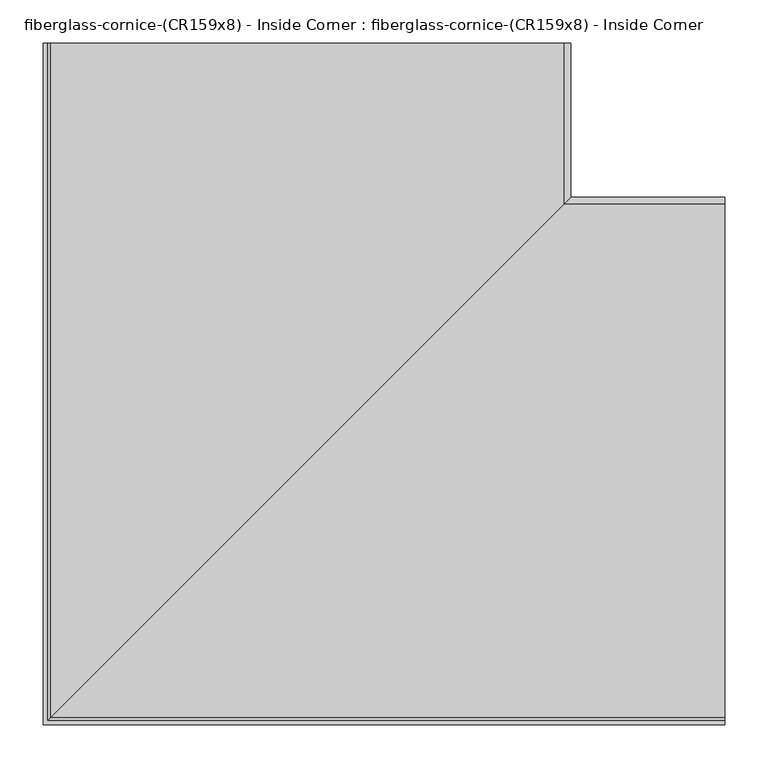
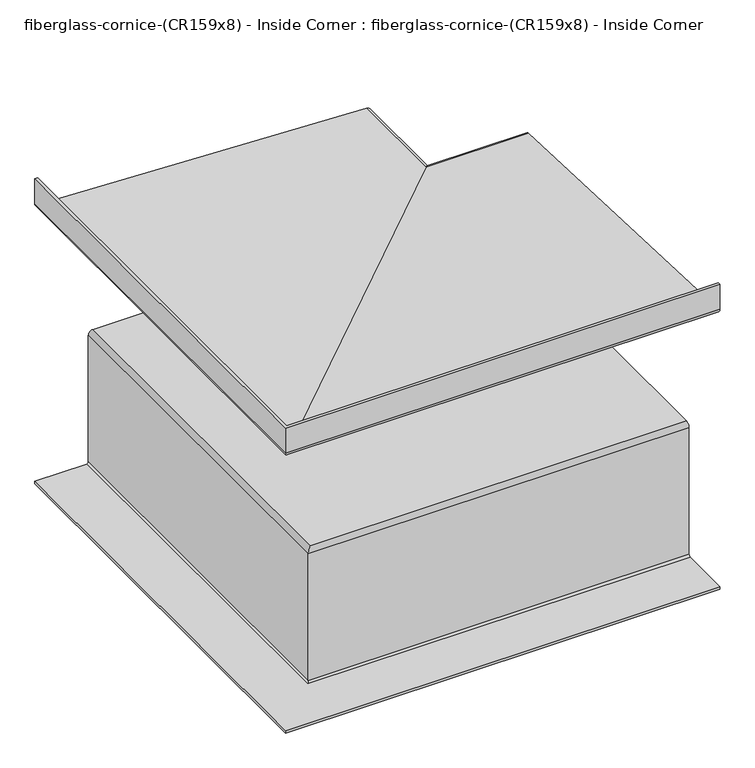
"""IFC4 building model written with IfcOpenShell, lengths in millimetres: furniture geometry, fiberglass-cornice-(CR159x8) - Inside Corner : fiberglass-cornice-(CR159x8) - Inside Corner."""

from ifc_helpers import new_model, si_unit, frame, origin, place, context, project, spatial, polyline, circle_curve, ellipse_curve, source, transform, mapped, element, save
from ifc_brep_helpers import plane_surface, cylinder_surface, revolved_surface, advanced_brep


def fiberglass_cornice_cr159x8_inside_corner_fiberglass_cornice_99795683(model_context):
    return source(origin(), model_context, "Body", "AdvancedBrep", [
        advanced_brep(
        [(-388.9374938, 888.603125, 330.1999904), (-388.9374938, 888.603125, 282.1175916), (-385.8946708, 888.603125, 279.0747686), (207.9553195, 888.603125, 254.331019), (215.9000062, 888.603125, 246.3863324), (215.9000062, 888.603125, 7.8336525), (207.9625062, 888.603125, -0.1038475), (193.8705207, 888.603125, -0.1038475), (190.6955207, 888.603125, 3.0711535), (187.4914325, 888.603125, 6.2752427), (180.9973825, 888.603125, 6.2752427), (177.8223825, 888.603125, 3.0711543), (174.6473825, 888.603125, -0.1038451), (-288.8017329, 888.603125, -0.1038475), (-291.9767329, 888.603125, -3.2788474), (-291.9767329, 888.603125, -246.1065844), (-299.9142329, 888.603125, -254.0440844), (-393.6999938, 888.603125, -254.0440844), (-393.6999938, 888.603125, -249.2815844), (-299.9142329, 888.603125, -249.2815844), (-296.7392329, 888.603125, -246.1065844), (-296.7392329, 888.603125, -3.2788451), (-288.8017329, 888.603125, 4.6586549), (169.8848825, 888.603125, 4.6586549), (173.0598825, 888.603125, 7.8336543), (176.2348825, 888.603125, 11.0377427), (192.2539319, 888.603125, 11.0377427), (195.4580207, 888.603125, 7.8336539), (198.6330207, 888.603125, 4.6586538), (207.9625074, 888.603125, 4.6586538), (211.1375062, 888.603125, 7.8336525), (211.1375062, 888.603125, 246.3863324), (207.9596315, 888.603125, 249.564207), (-386.0929363, 888.603125, 274.3163974), (-393.6999938, 888.603125, 281.9234549), (-393.6999938, 888.603125, 330.1999904), (393.6999938, 105.965625, 330.1999904), (393.6999938, 101.203125, 330.1999904), (393.6999938, 101.203125, 281.9234549), (393.6999938, 108.8101826, 274.3163974), (393.6999938, 702.8627503, 249.564207), (393.6999938, 706.040625, 246.3863324), (393.6999938, 706.040625, 7.8336525), (393.6999938, 702.8656263, 4.6586538), (393.6999938, 693.5361396, 4.6586538), (393.6999938, 690.3611396, 7.8336539), (393.6999938, 687.1570507, 11.0377427), (393.6999938, 671.1380014, 11.0377427), (393.6999938, 667.9630014, 7.8336543), (393.6999938, 664.7880014, 4.6586549), (393.6999938, 206.1013859, 4.6586549), (393.6999938, 198.163886, -3.2788451), (393.6999938, 198.163886, -246.1065844), (393.6999938, 194.988886, -249.2815844), (393.6999938, 101.203125, -249.2815844), (393.6999938, 101.203125, -254.0440844), (393.6999938, 194.988886, -254.0440844), (393.6999938, 202.926386, -246.1065844), (393.6999938, 202.926386, -3.2788474), (393.6999938, 206.1013859, -0.1038475), (393.6999938, 669.5505014, -0.1038475), (393.6999938, 672.7255014, 3.0711543), (393.6999938, 675.9005014, 6.2752427), (393.6999938, 682.3945514, 6.2752427), (393.6999938, 685.5986396, 3.0711535), (393.6999938, 688.7736396, -0.1038475), (393.6999938, 702.865625, -0.1038475), (393.6999938, 710.803125, 7.8336525), (393.6999938, 710.803125, 246.3863324), (393.6999938, 702.8584384, 254.331019), (393.6999938, 109.008448, 279.0747686), (393.6999938, 105.965625, 282.1175916), (-388.9374938, 105.965625, 330.1999904), (-388.9374938, 105.965625, 282.1175916), (-385.8946708, 109.008448, 279.0747686), (207.9553195, 702.8584384, 254.331019), (215.9000062, 710.803125, 246.3863324), (215.9000062, 710.803125, 7.8336525), (207.9625062, 702.865625, -0.1038475), (193.8705207, 688.7736396, -0.1038475), (190.6955207, 685.5986396, 3.0711535), (187.4914325, 682.3945514, 6.2752427), (180.9973825, 675.9005014, 6.2752427), (177.8223825, 672.7255014, 3.0711543), (174.6473825, 669.5505014, -0.1038451), (-288.8017329, 206.1013859, -0.1038475), (-291.9767329, 202.926386, -3.2788474), (-291.9767329, 202.926386, -246.1065844), (-299.9142329, 194.988886, -254.0440844), (-393.6999938, 101.203125, -254.0440844), (-393.6999938, 101.203125, -249.2815844), (-299.9142329, 194.988886, -249.2815844), (-296.7392329, 198.163886, -246.1065844), (-296.7392329, 198.163886, -3.2788451), (-288.8017329, 206.1013859, 4.6586549), (169.8848825, 664.7880014, 4.6586549), (173.0598825, 667.9630014, 7.8336543), (176.2348825, 671.1380014, 11.0377427), (192.2539319, 687.1570507, 11.0377427), (195.4580207, 690.3611396, 7.8336539), (198.6330207, 693.5361396, 4.6586538), (207.9625074, 702.8656263, 4.6586538), (211.1375062, 706.040625, 7.8336525), (211.1375062, 706.040625, 246.3863324), (207.9596315, 702.8627503, 249.564207), (-386.0929363, 108.8101826, 274.3163974), (-393.6999938, 101.203125, 281.9234549), (-393.6999938, 101.203125, 330.1999904)],
        [
            (0, 1),
            (1, 2, circle_curve(frame((-385.8946708, 888.603125, 282.1175916), z_axis=(0.0, -1.0, 0.0), x_axis=(1.0, 0.0, 0.0)), 3.042823)),
            (2, 3),
            (3, 4, circle_curve(frame((207.9553195, 888.603125, 246.3863324), z_axis=(0.0, 1.0, 0.0), x_axis=(1.0, 0.0, 0.0)), 7.9446866)),
            (4, 5),
            (5, 6, circle_curve(frame((207.9625062, 888.603125, 7.8336525), z_axis=(0.0, 1.0, 0.0), x_axis=(1.0, 0.0, 0.0)), 7.9375)),
            (6, 7),
            (7, 8, circle_curve(frame((193.8705207, 888.603125, 3.0711525), z_axis=(0.0, 1.0, 0.0), x_axis=(1.0, 0.0, 0.0)), 3.175)),
            (8, 9, circle_curve(frame((187.4914325, 888.603125, 3.0711545), z_axis=(0.0, -1.0, 0.0), x_axis=(1.0, 0.0, 0.0)), 3.2040882)),
            (9, 10),
            (10, 11, circle_curve(frame((180.9973825, 888.603125, 3.1001106), z_axis=(0.0, -1.0, 0.0), x_axis=(1.0, 0.0, 0.0)), 3.175132)),
            (11, 12, circle_curve(frame((174.6473825, 888.603125, 3.0711549), z_axis=(0.0, 1.0, 0.0), x_axis=(1.0, 0.0, 0.0)), 3.175)),
            (12, 13),
            (13, 14, circle_curve(frame((-288.8017329, 888.603125, -3.2788474), z_axis=(0.0, -1.0, 0.0), x_axis=(1.0, 0.0, 0.0)), 3.175)),
            (14, 15),
            (15, 16, circle_curve(frame((-299.9142329, 888.603125, -246.1065844), z_axis=(0.0, 1.0, 0.0), x_axis=(1.0, 0.0, 0.0)), 7.9375)),
            (16, 17),
            (17, 18),
            (18, 19),
            (19, 20, circle_curve(frame((-299.9142329, 888.603125, -246.1065844), z_axis=(0.0, -1.0, 0.0), x_axis=(1.0, 0.0, 0.0)), 3.175)),
            (20, 21),
            (21, 22, circle_curve(frame((-288.8017329, 888.603125, -3.2788451), z_axis=(0.0, 1.0, 0.0), x_axis=(1.0, 0.0, 0.0)), 7.9374999)),
            (22, 23),
            (23, 24, circle_curve(frame((169.8848825, 888.603125, 7.8336549), z_axis=(0.0, -1.0, 0.0), x_axis=(1.0, 0.0, 0.0)), 3.175)),
            (24, 25, circle_curve(frame((176.2348825, 888.603125, 7.8626107), z_axis=(0.0, 1.0, 0.0), x_axis=(1.0, 0.0, 0.0)), 3.175132)),
            (25, 26),
            (26, 27, circle_curve(frame((192.2539319, 888.603125, 7.8336539), z_axis=(0.0, 1.0, 0.0), x_axis=(1.0, 0.0, 0.0)), 3.2040888)),
            (27, 28, circle_curve(frame((198.6330207, 888.603125, 7.8336538), z_axis=(0.0, -1.0, 0.0), x_axis=(1.0, 0.0, 0.0)), 3.175)),
            (28, 29),
            (29, 30, circle_curve(frame((207.9625074, 888.603125, 7.8336525), z_axis=(0.0, -1.0, 0.0), x_axis=(1.0, 0.0, 0.0)), 3.1749987)),
            (30, 31),
            (31, 32, circle_curve(frame((207.9596315, 888.603125, 246.3863324), z_axis=(0.0, -1.0, 0.0), x_axis=(1.0, 0.0, 0.0)), 3.1778747)),
            (32, 33),
            (33, 34, circle_curve(frame((-386.0929363, 888.603125, 281.9234549), z_axis=(0.0, 1.0, 0.0), x_axis=(1.0, 0.0, 0.0)), 7.6070576)),
            (34, 35),
            (35, 0),
            (36, 37),
            (37, 38),
            (38, 39, circle_curve(frame((393.6999938, 108.8101826, 281.9234549), z_axis=(1.0, 0.0, 0.0), x_axis=(0.0, 1.0, 0.0)), 7.6070576)),
            (39, 40),
            (40, 41, circle_curve(frame((393.6999938, 702.8627503, 246.3863324), z_axis=(-1.0, 0.0, 0.0), x_axis=(0.0, 1.0, 0.0)), 3.1778747)),
            (41, 42),
            (42, 43, circle_curve(frame((393.6999938, 702.8656263, 7.8336525), z_axis=(-1.0, 0.0, 0.0), x_axis=(0.0, 1.0, 0.0)), 3.1749987)),
            (43, 44),
            (44, 45, circle_curve(frame((393.6999938, 693.5361396, 7.8336538), z_axis=(-1.0, 0.0, 0.0), x_axis=(0.0, 1.0, 0.0)), 3.175)),
            (45, 46, circle_curve(frame((393.6999938, 687.1570507, 7.8336539), z_axis=(1.0, 0.0, 0.0), x_axis=(0.0, 1.0, 0.0)), 3.2040888)),
            (46, 47),
            (47, 48, circle_curve(frame((393.6999938, 671.1380014, 7.8626107), z_axis=(1.0, 0.0, 0.0), x_axis=(0.0, 1.0, 0.0)), 3.175132)),
            (48, 49, circle_curve(frame((393.6999938, 664.7880014, 7.8336549), z_axis=(-1.0, 0.0, 0.0), x_axis=(0.0, 1.0, 0.0)), 3.175)),
            (49, 50),
            (50, 51, circle_curve(frame((393.6999938, 206.1013859, -3.2788451), z_axis=(1.0, 0.0, 0.0), x_axis=(0.0, 1.0, 0.0)), 7.9374999)),
            (51, 52),
            (52, 53, circle_curve(frame((393.6999938, 194.988886, -246.1065844), z_axis=(-1.0, 0.0, 0.0), x_axis=(0.0, 1.0, 0.0)), 3.175)),
            (53, 54),
            (54, 55),
            (55, 56),
            (56, 57, circle_curve(frame((393.6999938, 194.988886, -246.1065844), z_axis=(1.0, 0.0, 0.0), x_axis=(0.0, 1.0, 0.0)), 7.9375)),
            (57, 58),
            (58, 59, circle_curve(frame((393.6999938, 206.1013859, -3.2788474), z_axis=(-1.0, 0.0, 0.0), x_axis=(0.0, 1.0, 0.0)), 3.175)),
            (59, 60),
            (60, 61, circle_curve(frame((393.6999938, 669.5505014, 3.0711549), z_axis=(1.0, 0.0, 0.0), x_axis=(0.0, 1.0, 0.0)), 3.175)),
            (61, 62, circle_curve(frame((393.6999938, 675.9005014, 3.1001106), z_axis=(-1.0, 0.0, 0.0), x_axis=(0.0, 1.0, 0.0)), 3.175132)),
            (62, 63),
            (63, 64, circle_curve(frame((393.6999938, 682.3945514, 3.0711545), z_axis=(-1.0, 0.0, 0.0), x_axis=(0.0, 1.0, 0.0)), 3.2040882)),
            (64, 65, circle_curve(frame((393.6999938, 688.7736396, 3.0711525), z_axis=(1.0, 0.0, 0.0), x_axis=(0.0, 1.0, 0.0)), 3.175)),
            (65, 66),
            (66, 67, circle_curve(frame((393.6999938, 702.865625, 7.8336525), z_axis=(1.0, 0.0, 0.0), x_axis=(0.0, 1.0, 0.0)), 7.9375)),
            (67, 68),
            (68, 69, circle_curve(frame((393.6999938, 702.8584384, 246.3863324), z_axis=(1.0, 0.0, 0.0), x_axis=(0.0, 1.0, 0.0)), 7.9446866)),
            (69, 70),
            (70, 71, circle_curve(frame((393.6999938, 109.008448, 282.1175916), z_axis=(-1.0, 0.0, 0.0), x_axis=(0.0, 1.0, 0.0)), 3.042823)),
            (71, 36),
            (0, 72),
            (72, 73),
            (73, 1),
            (73, 74, ellipse_curve(frame((-385.8946708, 109.008448, 282.1175916), z_axis=(0.7071067811865475, -0.7071067811865475, 0.0), x_axis=(-0.7071067811865474, -0.7071067811865476, 0.0)), 4.3032016, 3.042823)),
            (74, 2),
            (74, 75),
            (75, 3),
            (75, 76, ellipse_curve(frame((207.9553195, 702.8584384, 246.3863324), z_axis=(-0.7071067811865475, 0.7071067811865475, 0.0), x_axis=(0.7071067811865474, 0.7071067811865476, 0.0)), 11.2354836, 7.9446866)),
            (76, 4),
            (76, 77),
            (77, 5),
            (77, 78, ellipse_curve(frame((207.9625062, 702.865625, 7.8336525), z_axis=(-0.7071067811865475, 0.7071067811865475, 0.0), x_axis=(0.7071067811865474, 0.7071067811865476, 0.0)), 11.2253202, 7.9375)),
            (78, 6),
            (78, 66),
            (65, 79),
            (79, 7),
            (79, 80, ellipse_curve(frame((193.8705207, 688.7736396, 3.0711525), z_axis=(-0.7071067811865475, 0.7071067811865475, 0.0), x_axis=(0.7071067811865474, 0.7071067811865476, 0.0)), 4.4901281, 3.175)),
            (80, 8),
            (80, 81, ellipse_curve(frame((187.4914325, 682.3945514, 3.0711545), z_axis=(0.7071067811865475, -0.7071067811865475, 0.0), x_axis=(-0.7071067811865474, -0.7071067811865476, 0.0)), 4.531265, 3.2040882)),
            (81, 9),
            (81, 63),
            (62, 82),
            (82, 10),
            (82, 83, ellipse_curve(frame((180.9973825, 675.9005014, 3.1001106), z_axis=(0.7071067811865475, -0.7071067811865475, 0.0), x_axis=(-0.7071067811865474, -0.7071067811865476, 0.0)), 4.4903148, 3.175132)),
            (83, 11),
            (83, 84, ellipse_curve(frame((174.6473825, 669.5505014, 3.0711549), z_axis=(-0.7071067811865475, 0.7071067811865475, 0.0), x_axis=(0.7071067811865474, 0.7071067811865476, 0.0)), 4.4901281, 3.175)),
            (84, 12),
            (84, 60),
            (59, 85),
            (85, 13),
            (85, 86, ellipse_curve(frame((-288.8017329, 206.1013859, -3.2788474), z_axis=(0.7071067811865475, -0.7071067811865475, 0.0), x_axis=(-0.7071067811865474, -0.7071067811865476, 0.0)), 4.490128, 3.175)),
            (86, 14),
            (86, 87),
            (87, 15),
            (87, 88, ellipse_curve(frame((-299.9142329, 194.988886, -246.1065844), z_axis=(-0.7071067811865475, 0.7071067811865475, 0.0), x_axis=(0.7071067811865474, 0.7071067811865476, 0.0)), 11.2253202, 7.9375)),
            (88, 16),
            (88, 56),
            (55, 89),
            (89, 17),
            (89, 90),
            (90, 18),
            (90, 54),
            (53, 91),
            (91, 19),
            (91, 92, ellipse_curve(frame((-299.9142329, 194.988886, -246.1065844), z_axis=(0.7071067811865475, -0.7071067811865475, 0.0), x_axis=(-0.7071067811865474, -0.7071067811865476, 0.0)), 4.4901281, 3.175)),
            (92, 20),
            (92, 93),
            (93, 21),
            (93, 94, ellipse_curve(frame((-288.8017329, 206.1013859, -3.2788451), z_axis=(-0.7071067811865475, 0.7071067811865475, 0.0), x_axis=(0.7071067811865474, 0.7071067811865476, 0.0)), 11.2253201, 7.9374999)),
            (94, 22),
            (94, 50),
            (49, 95),
            (95, 23),
            (95, 96, ellipse_curve(frame((169.8848825, 664.7880014, 7.8336549), z_axis=(0.7071067811865475, -0.7071067811865475, 0.0), x_axis=(-0.7071067811865474, -0.7071067811865476, 0.0)), 4.4901281, 3.175)),
            (96, 24),
            (96, 97, ellipse_curve(frame((176.2348825, 671.1380014, 7.8626107), z_axis=(-0.7071067811865475, 0.7071067811865475, 0.0), x_axis=(0.7071067811865474, 0.7071067811865476, 0.0)), 4.4903148, 3.175132)),
            (97, 25),
            (97, 47),
            (46, 98),
            (98, 26),
            (98, 99, ellipse_curve(frame((192.2539319, 687.1570507, 7.8336539), z_axis=(-0.7071067811865475, 0.7071067811865475, 0.0), x_axis=(0.7071067811865474, 0.7071067811865476, 0.0)), 4.5312659, 3.2040888)),
            (99, 27),
            (99, 100, ellipse_curve(frame((198.6330207, 693.5361396, 7.8336538), z_axis=(0.7071067811865475, -0.7071067811865475, 0.0), x_axis=(-0.7071067811865474, -0.7071067811865476, 0.0)), 4.4901281, 3.175)),
            (100, 28),
            (100, 44),
            (43, 101),
            (101, 29),
            (101, 102, ellipse_curve(frame((207.9625074, 702.8656263, 7.8336525), z_axis=(0.7071067811865475, -0.7071067811865475, 0.0), x_axis=(-0.7071067811865474, -0.7071067811865476, 0.0)), 4.4901262, 3.1749987)),
            (102, 30),
            (102, 103),
            (103, 31),
            (103, 104, ellipse_curve(frame((207.9596315, 702.8627503, 246.3863324), z_axis=(0.7071067811865475, -0.7071067811865475, 0.0), x_axis=(-0.7071067811865474, -0.7071067811865476, 0.0)), 4.4941934, 3.1778747)),
            (104, 32),
            (104, 105),
            (105, 33),
            (105, 106, ellipse_curve(frame((-386.0929363, 108.8101826, 281.9234549), z_axis=(-0.7071067811865475, 0.7071067811865475, 0.0), x_axis=(0.7071067811865474, 0.7071067811865476, 0.0)), 10.758004, 7.6070576)),
            (106, 34),
            (106, 107),
            (107, 35),
            (107, 37),
            (36, 72),
            (71, 73),
            (70, 74),
            (69, 75),
            (68, 76),
            (67, 77),
            (64, 80),
            (61, 83),
            (58, 86),
            (57, 87),
            (52, 92),
            (51, 93),
            (48, 96),
            (45, 99),
            (42, 102),
            (41, 103),
            (40, 104),
            (39, 105),
            (38, 106),
        ],
        [
            plane_surface(frame((-393.6999938, 888.603125, 330.1999904), z_axis=(0.0, 1.0, 0.0), x_axis=(0.0, 0.0, 1.0))),
            plane_surface(frame((393.6999938, 101.203125, 330.1999904), z_axis=(1.0, 0.0, 0.0), x_axis=(0.0, 0.0, 1.0))),
            plane_surface(frame((-388.9374938, 888.603125, 330.1999904), z_axis=(1.0, 0.0, 0.0), x_axis=(0.0, -1.0, 0.0))),
            revolved_surface(polyline([(-382.8518478, 105.96562496782724, 282.1175916), (-382.8518478, 888.603125, 282.1175916)]), (-385.8946708, 888.603125, 282.1175916), (0.0, -1.0, 0.0)),
            plane_surface(frame((-385.8946708, 888.603125, 279.0747686), z_axis=(0.0416305447121838, 0.0, 0.9991330730923519), x_axis=(0.0, -1.0, 0.0))),
            cylinder_surface(frame((207.9553195, 888.603125, 246.3863324), z_axis=(0.0, 1.0, 0.0), x_axis=(1.0, 0.0, 0.0)), 7.9446866),
            plane_surface(frame((215.9000062, 888.603125, 246.3863324), z_axis=(1.0, 0.0, 0.0), x_axis=(0.0, -1.0, 0.0))),
            cylinder_surface(frame((207.9625062, 888.603125, 7.8336525), z_axis=(0.0, 1.0, 0.0), x_axis=(1.0, 0.0, 0.0)), 7.9375),
            plane_surface(frame((207.9625062, 888.603125, -0.1038475), z_axis=(0.0, 0.0, -1.0), x_axis=(0.0, -1.0, 0.0))),
            cylinder_surface(frame((193.8705207, 888.603125, 3.0711525), z_axis=(0.0, 1.0, 0.0), x_axis=(1.0, 0.0, 0.0)), 3.175),
            revolved_surface(polyline([(190.6955207, 679.1904631911467, 3.0711545), (190.6955207, 888.603125, 3.0711545)]), (187.4914325, 888.603125, 3.0711545), (0.0, -1.0, 0.0)),
            plane_surface(frame((187.4914325, 888.603125, 6.2752427), z_axis=(0.0, 0.0, -1.0), x_axis=(0.0, -1.0, 0.0))),
            revolved_surface(polyline([(184.17251449999998, 672.7253693552577, 3.1001106), (184.17251449999998, 888.603125, 3.1001106)]), (180.9973825, 888.603125, 3.1001106), (0.0, -1.0, 0.0)),
            cylinder_surface(frame((174.6473825, 888.603125, 3.0711549), z_axis=(0.0, 1.0, 0.0), x_axis=(1.0, 0.0, 0.0)), 3.175),
            plane_surface(frame((174.6473825, 888.603125, -0.1038475), z_axis=(0.0, 0.0, -1.0), x_axis=(0.0, -1.0, 0.0))),
            revolved_surface(polyline([(-285.6267329, 202.92638594280436, -3.2788474), (-285.6267329, 888.603125, -3.2788474)]), (-288.8017329, 888.603125, -3.2788474), (0.0, -1.0, 0.0)),
            plane_surface(frame((-291.9767329, 888.603125, -3.2788474), z_axis=(1.0, 0.0, 0.0), x_axis=(0.0, -1.0, 0.0))),
            cylinder_surface(frame((-299.9142329, 888.603125, -246.1065844), z_axis=(0.0, 1.0, 0.0), x_axis=(1.0, 0.0, 0.0)), 7.9375),
            plane_surface(frame((-299.9142329, 888.603125, -254.0440844), z_axis=(0.0, 0.0, -1.0), x_axis=(0.0, -1.0, 0.0))),
            plane_surface(frame((-393.6999938, 888.603125, -254.0440844), z_axis=(-1.0, 0.0, 0.0), x_axis=(0.0, -1.0, 0.0))),
            plane_surface(frame((-393.6999938, 888.603125, -249.2815844), z_axis=(0.0, 0.0, 1.0), x_axis=(0.0, -1.0, 0.0))),
            revolved_surface(polyline([(-296.7392329, 191.81388597209366, -246.1065844), (-296.7392329, 888.603125, -246.1065844)]), (-299.9142329, 888.603125, -246.1065844), (0.0, -1.0, 0.0)),
            plane_surface(frame((-296.7392329, 888.603125, -246.1065844), z_axis=(-1.0, 0.0, 0.0), x_axis=(0.0, -1.0, 0.0))),
            cylinder_surface(frame((-288.8017329, 888.603125, -3.2788451), z_axis=(0.0, 1.0, 0.0), x_axis=(1.0, 0.0, 0.0)), 7.9374999),
            plane_surface(frame((-288.8017329, 888.603125, 4.6586549), z_axis=(0.0, 0.0, 1.0), x_axis=(0.0, -1.0, 0.0))),
            revolved_surface(polyline([(173.05988250000001, 661.6130013720938, 7.8336549), (173.05988250000001, 888.603125, 7.8336549)]), (169.8848825, 888.603125, 7.8336549), (0.0, -1.0, 0.0)),
            cylinder_surface(frame((176.2348825, 888.603125, 7.8626107), z_axis=(0.0, 1.0, 0.0), x_axis=(1.0, 0.0, 0.0)), 3.175132),
            plane_surface(frame((176.2348825, 888.603125, 11.0377427), z_axis=(0.0, 0.0, 1.0), x_axis=(0.0, -1.0, 0.0))),
            cylinder_surface(frame((192.2539319, 888.603125, 7.8336539), z_axis=(0.0, 1.0, 0.0), x_axis=(1.0, 0.0, 0.0)), 3.2040888),
            revolved_surface(polyline([(201.80802070000001, 690.3611395720936, 7.8336538), (201.80802070000001, 888.603125, 7.8336538)]), (198.6330207, 888.603125, 7.8336538), (0.0, -1.0, 0.0)),
            plane_surface(frame((198.6330207, 888.603125, 4.6586538), z_axis=(0.0, 0.0, 1.0), x_axis=(0.0, -1.0, 0.0))),
            revolved_surface(polyline([(211.1375061, 699.6906276155967, 7.8336525), (211.1375061, 888.603125, 7.8336525)]), (207.9625074, 888.603125, 7.8336525), (0.0, -1.0, 0.0)),
            plane_surface(frame((211.1375062, 888.603125, 7.8336525), z_axis=(-1.0, 0.0, 0.0), x_axis=(0.0, -1.0, 0.0))),
            revolved_surface(polyline([(211.1375062, 699.6848756708962, 246.3863324), (211.1375062, 888.603125, 246.3863324)]), (207.9596315, 888.603125, 246.3863324), (0.0, -1.0, 0.0)),
            plane_surface(frame((207.9596315, 888.603125, 249.564207), z_axis=(-0.04163054471218208, 0.0, -0.9991330730923519), x_axis=(0.0, -1.0, 0.0))),
            cylinder_surface(frame((-386.0929363, 888.603125, 281.9234549), z_axis=(0.0, 1.0, 0.0), x_axis=(1.0, 0.0, 0.0)), 7.6070576),
            plane_surface(frame((-393.6999938, 888.603125, 281.9234549), z_axis=(-1.0, 0.0, 0.0), x_axis=(0.0, -1.0, 0.0))),
            plane_surface(frame((-393.6999938, 888.603125, 330.1999904), z_axis=(0.0, 0.0, 1.0), x_axis=(0.0, -1.0, 0.0))),
            plane_surface(frame((-388.9374938, 105.965625, 330.1999904), z_axis=(0.0, 1.0, 0.0), x_axis=(1.0, 0.0, 0.0))),
            revolved_surface(polyline([(393.6999938, 112.051271, 282.1175916), (-388.9374938321728, 112.051271, 282.1175916)]), (-393.6999938, 109.008448, 282.1175916), (1.0, 0.0, 0.0)),
            plane_surface(frame((-385.8946708, 109.008448, 279.0747686), z_axis=(0.0, 0.0416305447121838, 0.9991330730923519), x_axis=(1.0, 0.0, 0.0))),
            cylinder_surface(frame((-393.6999938, 702.8584384, 246.3863324), z_axis=(-1.0, 0.0, 0.0), x_axis=(0.0, 1.0, 0.0)), 7.9446866),
            plane_surface(frame((215.9000062, 710.803125, 246.3863324), z_axis=(0.0, 1.0, 0.0), x_axis=(1.0, 0.0, 0.0))),
            cylinder_surface(frame((-393.6999938, 702.865625, 7.8336525), z_axis=(-1.0, 0.0, 0.0), x_axis=(0.0, 1.0, 0.0)), 7.9375),
            cylinder_surface(frame((-393.6999938, 688.7736396, 3.0711525), z_axis=(-1.0, 0.0, 0.0), x_axis=(0.0, 1.0, 0.0)), 3.175),
            revolved_surface(polyline([(393.6999938, 685.5986396, 3.0711545), (184.28734429114672, 685.5986396, 3.0711545)]), (-393.6999938, 682.3945514, 3.0711545), (1.0, 0.0, 0.0)),
            revolved_surface(polyline([(393.6999938, 679.0756334, 3.1001106), (177.82225045525763, 679.0756334, 3.1001106)]), (-393.6999938, 675.9005014, 3.1001106), (1.0, 0.0, 0.0)),
            cylinder_surface(frame((-393.6999938, 669.5505014, 3.0711549), z_axis=(-1.0, 0.0, 0.0), x_axis=(0.0, 1.0, 0.0)), 3.175),
            revolved_surface(polyline([(393.6999938, 209.2763859, -3.2788474), (-291.9767329, 209.2763859, -3.2788474)]), (-393.6999938, 206.1013859, -3.2788474), (1.0, 0.0, 0.0)),
            plane_surface(frame((-291.9767329, 202.926386, -3.2788474), z_axis=(0.0, 1.0, 0.0), x_axis=(1.0, 0.0, 0.0))),
            cylinder_surface(frame((-393.6999938, 194.988886, -246.1065844), z_axis=(-1.0, 0.0, 0.0), x_axis=(0.0, 1.0, 0.0)), 7.9375),
            plane_surface(frame((-393.6999938, 101.203125, -254.0440844), z_axis=(0.0, -1.0, 0.0), x_axis=(1.0, 0.0, 0.0))),
            revolved_surface(polyline([(393.6999938, 198.16388600000002, -246.1065844), (-303.08923292790627, 198.16388600000002, -246.1065844)]), (-393.6999938, 194.988886, -246.1065844), (1.0, 0.0, 0.0)),
            plane_surface(frame((-296.7392329, 198.163886, -246.1065844), z_axis=(0.0, -1.0, 0.0), x_axis=(1.0, 0.0, 0.0))),
            cylinder_surface(frame((-393.6999938, 206.1013859, -3.2788451), z_axis=(-1.0, 0.0, 0.0), x_axis=(0.0, 1.0, 0.0)), 7.9374999),
            revolved_surface(polyline([(393.6999938, 667.9630013999999, 7.8336549), (166.70988247209368, 667.9630013999999, 7.8336549)]), (-393.6999938, 664.7880014, 7.8336549), (1.0, 0.0, 0.0)),
            cylinder_surface(frame((-393.6999938, 671.1380014, 7.8626107), z_axis=(-1.0, 0.0, 0.0), x_axis=(0.0, 1.0, 0.0)), 3.175132),
            cylinder_surface(frame((-393.6999938, 687.1570507, 7.8336539), z_axis=(-1.0, 0.0, 0.0), x_axis=(0.0, 1.0, 0.0)), 3.2040888),
            revolved_surface(polyline([(393.6999938, 696.7111395999999, 7.8336538), (195.45802067209365, 696.7111395999999, 7.8336538)]), (-393.6999938, 693.5361396, 7.8336538), (1.0, 0.0, 0.0)),
            revolved_surface(polyline([(393.6999938, 706.040625, 7.8336525), (204.78750871559657, 706.040625, 7.8336525)]), (-393.6999938, 702.8656263, 7.8336525), (1.0, 0.0, 0.0)),
            plane_surface(frame((211.1375062, 706.040625, 7.8336525), z_axis=(0.0, -1.0, 0.0), x_axis=(1.0, 0.0, 0.0))),
            revolved_surface(polyline([(393.6999938, 706.040625, 246.3863324), (204.78175687089617, 706.040625, 246.3863324)]), (-393.6999938, 702.8627503, 246.3863324), (1.0, 0.0, 0.0)),
            plane_surface(frame((207.9596315, 702.8627503, 249.564207), z_axis=(0.0, -0.04163054471218208, -0.9991330730923519), x_axis=(1.0, 0.0, 0.0))),
            cylinder_surface(frame((-393.6999938, 108.8101826, 281.9234549), z_axis=(-1.0, 0.0, 0.0), x_axis=(0.0, 1.0, 0.0)), 7.6070576),
            plane_surface(frame((-393.6999938, 101.203125, 281.9234549), z_axis=(0.0, -1.0, 0.0), x_axis=(1.0, 0.0, 0.0))),
        ],
        [
            (0, [[1, 2, 3, 4, 5, 6, 7, 8, 9, 10, 11, 12, 13, 14, 15, 16, 17, 18, 19, 20, 21, 22, 23, 24, 25, 26, 27, 28, 29, 30, 31, 32, 33, 34, 35, 36]]),
            (1, [[37, 38, 39, 40, 41, 42, 43, 44, 45, 46, 47, 48, 49, 50, 51, 52, 53, 54, 55, 56, 57, 58, 59, 60, 61, 62, 63, 64, 65, 66, 67, 68, 69, 70, 71, 72]]),
            (2, [[-1, 73, 74, 75]]),
            (3, [[-2, -75, 76, 77]]),
            (4, [[-3, -77, 78, 79]]),
            (5, [[-4, -79, 80, 81]]),
            (6, [[-5, -81, 82, 83]]),
            (7, [[-6, -83, 84, 85]]),
            (8, [[-7, -85, 86, -66, 87, 88]]),
            (9, [[-8, -88, 89, 90]]),
            (10, [[-9, -90, 91, 92]]),
            (11, [[-10, -92, 93, -63, 94, 95]]),
            (12, [[-11, -95, 96, 97]]),
            (13, [[-12, -97, 98, 99]]),
            (14, [[-13, -99, 100, -60, 101, 102]]),
            (15, [[-14, -102, 103, 104]]),
            (16, [[-15, -104, 105, 106]]),
            (17, [[-16, -106, 107, 108]]),
            (18, [[-17, -108, 109, -56, 110, 111]]),
            (19, [[-18, -111, 112, 113]]),
            (20, [[-19, -113, 114, -54, 115, 116]]),
            (21, [[-20, -116, 117, 118]]),
            (22, [[-21, -118, 119, 120]]),
            (23, [[-22, -120, 121, 122]]),
            (24, [[-23, -122, 123, -50, 124, 125]]),
            (25, [[-24, -125, 126, 127]]),
            (26, [[-25, -127, 128, 129]]),
            (27, [[-26, -129, 130, -47, 131, 132]]),
            (28, [[-27, -132, 133, 134]]),
            (29, [[-28, -134, 135, 136]]),
            (30, [[-29, -136, 137, -44, 138, 139]]),
            (31, [[-30, -139, 140, 141]]),
            (32, [[-31, -141, 142, 143]]),
            (33, [[-32, -143, 144, 145]]),
            (34, [[-33, -145, 146, 147]]),
            (35, [[-34, -147, 148, 149]]),
            (36, [[-35, -149, 150, 151]]),
            (37, [[-36, -151, 152, -37, 153, -73]]),
            (38, [[-74, -153, -72, 154]]),
            (39, [[-76, -154, -71, 155]]),
            (40, [[-78, -155, -70, 156]]),
            (41, [[-80, -156, -69, 157]]),
            (42, [[-82, -157, -68, 158]]),
            (43, [[-84, -158, -67, -86]]),
            (44, [[-89, -87, -65, 159]]),
            (45, [[-91, -159, -64, -93]]),
            (46, [[-96, -94, -62, 160]]),
            (47, [[-98, -160, -61, -100]]),
            (48, [[-103, -101, -59, 161]]),
            (49, [[-105, -161, -58, 162]]),
            (50, [[-107, -162, -57, -109]]),
            (51, [[-112, -110, -55, -114]]),
            (52, [[-117, -115, -53, 163]]),
            (53, [[-119, -163, -52, 164]]),
            (54, [[-121, -164, -51, -123]]),
            (55, [[-126, -124, -49, 165]]),
            (56, [[-128, -165, -48, -130]]),
            (57, [[-133, -131, -46, 166]]),
            (58, [[-135, -166, -45, -137]]),
            (59, [[-140, -138, -43, 167]]),
            (60, [[-142, -167, -42, 168]]),
            (61, [[-144, -168, -41, 169]]),
            (62, [[-146, -169, -40, 170]]),
            (63, [[-148, -170, -39, 171]]),
            (64, [[-150, -171, -38, -152]]),
        ],
    ),
    ])


if __name__ == "__main__":
    model = new_model("IFC4")
    model_context = context("Model", 3, world=origin())
    ifc_project = project(units=[si_unit("LENGTHUNIT", "METRE", prefix="MILLI")], contexts=[model_context])
    site = spatial("IfcSite", under=ifc_project)
    building = spatial("IfcBuilding", under=site)
    placement = place(None, origin())
    fiberglass_cornice_cr159x8_inside_corner_fiberglass_cornice_shape = fiberglass_cornice_cr159x8_inside_corner_fiberglass_cornice_99795683(model_context)
    element("IfcFurniture", 1, ObjectType="fiberglass-cornice-(CR159x8) - Inside Corner : fiberglass-cornice-(CR159x8) - Inside Corner", at=placement, inside=building, context=model_context, shape_type="MappedRepresentation", body=[
        mapped(fiberglass_cornice_cr159x8_inside_corner_fiberglass_cornice_shape, transform((0.0, 0.0, 0.0), x_axis=(1.0, 0.0, 0.0), y_axis=(0.0, 1.0, 0.0), z_axis=(0.0, 0.0, 1.0))),
    ])
    save(model, "model.ifc")
